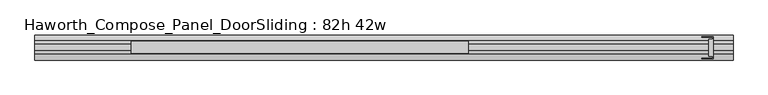
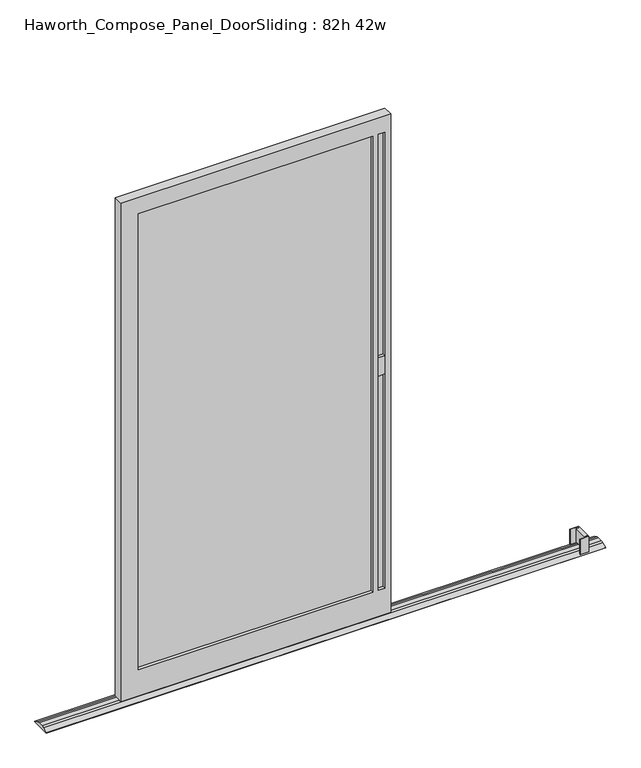
"""IFC4 building model written with IfcOpenShell, lengths in millimetres: furniture geometry, Haworth_Compose_Panel_DoorSliding : 82h 42w."""

import ifcopenshell
import ifcopenshell.guid

model = None  # the IFC model being written
_history = None  # IfcOwnerHistory: only IFC2X3 demands one
_inside = {}  # id of a spatial element -> (the spatial element, [elements in it])
_under = {}  # id of a project, library or spatial element -> (it, [spatial elements below it])
_declared = {}  # id of a project -> (the project, [libraries it declares])
_typed = {}  # id of a type object -> (the type object, [elements of that type])
_made_of = {}  # id of a material, layer set ... -> (it, [elements and type objects made of it])


def new_model(schema):
    """Start an empty IFC model of exactly this schema.

    Asked for "IFC4X3", IfcOpenShell would pick the latest addendum, in which some entities
    have other attributes; the version numbers below select the first issue.
    IFC2X3 requires an IfcOwnerHistory on every rooted entity: one is made here for all.
    """
    global model, _history
    if schema == "IFC4X3":
        model = ifcopenshell.file(schema_version=(4, 3, 0, 0))
    else:
        model = ifcopenshell.file(schema=schema)
    _inside.clear()
    _under.clear()
    _declared.clear()
    _typed.clear()
    _made_of.clear()
    _history = None
    if model.schema == "IFC2X3":
        org = make("IfcOrganization", Name="unknown")
        user = make(
            "IfcPersonAndOrganization",
            ThePerson=make("IfcPerson", FamilyName="unknown"),
            TheOrganization=org,
        )
        app = make(
            "IfcApplication",
            ApplicationDeveloper=org,
            Version="unknown",
            ApplicationFullName="unknown",
            ApplicationIdentifier="unknown",
        )
        _history = make(
            "IfcOwnerHistory",
            OwningUser=user,
            OwningApplication=app,
            ChangeAction="ADDED",
            CreationDate=0,
        )
    return model


def make(cls, **values):
    """One entity of the class cls with the attributes given. An attribute that is None is left unset."""
    return model.create_entity(
        cls, **{name: value for name, value in values.items() if value is not None}
    )


def rooted(cls, **values):
    """An entity with a GlobalId (a new one), such as an element, a storey or a relation."""
    return make(cls, GlobalId=ifcopenshell.guid.new(), OwnerHistory=_history, **values)


def si_unit(unit_type, name, prefix=None):
    """IfcSIUnit, for example si_unit("LENGTHUNIT", "METRE", prefix="MILLI")."""
    return make("IfcSIUnit", UnitType=unit_type, Prefix=prefix, Name=name)


def assignment(units):
    """IfcUnitAssignment: the units of a project."""
    return None if units is None else make("IfcUnitAssignment", Units=units)


def point(xyz):
    """IfcCartesianPoint."""
    return None if xyz is None else make("IfcCartesianPoint", Coordinates=xyz)


def direction(xyz):
    """IfcDirection."""
    return None if xyz is None else make("IfcDirection", DirectionRatios=xyz)


def frame(location, z_axis=None, x_axis=None):
    """IfcAxis2Placement3D, a coordinate frame: its origin and axes. An axis left out is left unset."""
    return make(
        "IfcAxis2Placement3D",
        Location=point(location),
        Axis=direction(z_axis),
        RefDirection=direction(x_axis),
    )


def origin():
    """The frame at (0, 0, 0) with its axes left unset."""
    return frame((0.0, 0.0, 0.0))


def place(relative_to, where):
    """IfcLocalPlacement: puts the frame where relative to a parent placement (None: the world)."""
    return make(
        "IfcLocalPlacement", PlacementRelTo=relative_to, RelativePlacement=where
    )


def context(
    kind, dimensions, precision=None, world=None, true_north=None, identifier=None
):
    """IfcGeometricRepresentationContext, for example the 3D "Model" context."""
    return make(
        "IfcGeometricRepresentationContext",
        ContextIdentifier=identifier,
        ContextType=kind,
        CoordinateSpaceDimension=dimensions,
        Precision=precision,
        WorldCoordinateSystem=world,
        TrueNorth=true_north,
    )


def project(units=None, contexts=None):
    """IfcProject with its units and contexts."""
    return rooted(
        "IfcProject",
        Name="project",
        RepresentationContexts=contexts,
        UnitsInContext=assignment(units),
    )


def spatial(cls, under=None, at=None, **own):
    """A site, building, storey or space (cls), placed at a placement, below another one or the project."""
    s = rooted(cls, ObjectPlacement=at, **own)
    if under is not None:
        _under.setdefault(under.id(), (under, []))[1].append(s)
    return s


def polyline(points):
    """IfcPolyline through the points."""
    return make("IfcPolyline", Points=[point(p) for p in points])


def circle_curve(where, radius):
    """IfcCircle in the frame where."""
    return make("IfcCircle", Position=where, Radius=radius)


def outline(outer, holes=None, kind="AREA"):
    """IfcArbitraryClosedProfileDef: a profile drawn as a closed curve; with holes, ...WithVoids."""
    if holes is None:
        return make("IfcArbitraryClosedProfileDef", ProfileType=kind, OuterCurve=outer)
    return make(
        "IfcArbitraryProfileDefWithVoids",
        ProfileType=kind,
        OuterCurve=outer,
        InnerCurves=holes,
    )


def extrude(swept, where, along, depth):
    """IfcExtrudedAreaSolid: the profile swept, set in the frame where, extruded along a direction by depth."""
    return make(
        "IfcExtrudedAreaSolid",
        SweptArea=swept,
        Position=where,
        ExtrudedDirection=direction(along),
        Depth=depth,
    )


def faces_of(points, faces, orient=None, outer=None):
    """IfcFace entities. A face is a list of loops; a loop is a list of indices into points, from 0.

    orient and outer hold one flag for each loop. By default every Orientation is true, the
    first loop of a face is its IfcFaceOuterBound and the others are IfcFaceBound.
    """
    made = []
    for i, loops in enumerate(faces):
        bounds = []
        for j, loop in enumerate(loops):
            is_outer = j == 0 if outer is None else outer[i][j]
            bounds.append(
                make(
                    "IfcFaceOuterBound" if is_outer else "IfcFaceBound",
                    Bound=make("IfcPolyLoop", Polygon=[points[k] for k in loop]),
                    Orientation=True if orient is None else orient[i][j],
                )
            )
        made.append(make("IfcFace", Bounds=bounds))
    return made


def faceted_brep(points, faces, orient=None, outer=None, voids=None):
    """IfcFacetedBrep: a solid bounded by flat faces; with voids (closed shells), ...WithVoids."""
    shared = [point(p) for p in points]
    hull = make("IfcClosedShell", CfsFaces=faces_of(shared, faces, orient, outer))
    if voids is None:
        return make("IfcFacetedBrep", Outer=hull)
    return make(
        "IfcFacetedBrepWithVoids",
        Outer=hull,
        Voids=[
            make(cls, CfsFaces=faces_of(shared, fs, o, b)) for cls, fs, o, b in voids
        ],
    )


def shape(context_of_items, identifier, shape_type, items):
    """IfcShapeRepresentation: the items that make up one representation, for example the "Body"."""
    return make(
        "IfcShapeRepresentation",
        ContextOfItems=context_of_items,
        RepresentationIdentifier=identifier,
        RepresentationType=shape_type,
        Items=items,
    )


def source(mapping_origin, context_of_items, identifier, shape_type, items):
    """IfcRepresentationMap: a shape defined once, which mapped items show again and again."""
    return make(
        "IfcRepresentationMap",
        MappingOrigin=mapping_origin,
        MappedRepresentation=shape(context_of_items, identifier, shape_type, items),
    )


def transform(
    local_origin,
    x_axis=None,
    y_axis=None,
    z_axis=None,
    scale=None,
    scale2=None,
    scale3=None,
    uniform=True,
):
    """IfcCartesianTransformationOperator3D, or its non-uniform kind. x_axis, y_axis, z_axis: its Axis1, 2, 3."""
    if uniform:
        return make(
            "IfcCartesianTransformationOperator3D",
            Axis1=direction(x_axis),
            Axis2=direction(y_axis),
            LocalOrigin=point(local_origin),
            Scale=scale,
            Axis3=direction(z_axis),
        )
    return make(
        "IfcCartesianTransformationOperator3DnonUniform",
        Axis1=direction(x_axis),
        Axis2=direction(y_axis),
        LocalOrigin=point(local_origin),
        Scale=scale,
        Axis3=direction(z_axis),
        Scale2=scale2,
        Scale3=scale3,
    )


def mapped(mapping_source, mapping_target):
    """IfcMappedItem: shows the shape of a source again, moved by a transform."""
    return make(
        "IfcMappedItem", MappingSource=mapping_source, MappingTarget=mapping_target
    )


def made_of(thing, what):
    """Note that an element or type object is made of a material, layer set ...; save() writes the relation."""
    if what is not None:
        _made_of.setdefault(what.id(), (what, []))[1].append(thing)
    return thing


def element(
    cls,
    number,
    at=None,
    inside=None,
    cuts=None,
    type_object=None,
    material=None,
    context=None,
    identifier="Body",
    shape_type=None,
    held_by="IfcProductDefinitionShape",
    body=None,
    shapes=None,
    **own,
):
    """One element of the class cls, such as IfcWall. Its Tag is "e" and its number.

    at: its placement. inside: the storey or other place that contains it. cuts: it is an
    opening in that element (IfcRelVoidsElement). A single representation is given by context,
    identifier, shape_type and body (its items); several are given by shapes. held_by: the class
    of the entity that holds the representations. save() writes the other relations.
    """
    e = rooted(cls, Tag="e%d" % number, ObjectPlacement=at, **own)
    if body is not None:
        shapes = [shape(context, identifier, shape_type, body)]
    if shapes is not None:
        e.Representation = make(held_by, Representations=shapes)
    if inside is not None:
        _inside.setdefault(inside.id(), (inside, []))[1].append(e)
    if cuts is not None:
        rooted(
            "IfcRelVoidsElement", RelatingBuildingElement=cuts, RelatedOpeningElement=e
        )
    if type_object is not None:
        _typed.setdefault(type_object.id(), (type_object, []))[1].append(e)
    return made_of(e, material)


def aggregate(whole, parts):
    """IfcRelAggregates: a whole, such as a stair, and the parts it consists of."""
    return rooted("IfcRelAggregates", RelatingObject=whole, RelatedObjects=parts)


def save(model, path):
    """Write the relations noted so far, then the file.

    IfcRelAggregates (storeys below a building ...), IfcRelContainedInSpatialStructure (elements
    in a storey), IfcRelDefinesByType, IfcRelAssociatesMaterial and IfcRelDeclares: one each for
    every whole, place, type object, material and project.
    """
    for whole, parts in _under.values():
        aggregate(whole, parts)
    for where, things in _inside.values():
        rooted(
            "IfcRelContainedInSpatialStructure",
            RelatedElements=things,
            RelatingStructure=where,
        )
    for kind, things in _typed.values():
        rooted("IfcRelDefinesByType", RelatedObjects=things, RelatingType=kind)
    for what, things in _made_of.values():
        rooted("IfcRelAssociatesMaterial", RelatedObjects=things, RelatingMaterial=what)
    for by, libraries in _declared.values():
        rooted("IfcRelDeclares", RelatingContext=by, RelatedDefinitions=libraries)
    model.write(path)


def plane_surface(at):
    """IfcPlane: the flat surface through the origin of the frame at, square to its z axis."""
    return make("IfcPlane", Position=at)


def cylinder_surface(at, radius):
    """IfcCylindricalSurface: all points at the distance radius from the z axis of the frame at."""
    return make("IfcCylindricalSurface", Position=at, Radius=radius)


def advanced_brep(points, edges, surfaces, faces):
    """IfcAdvancedBrep: a solid bounded by faces that lie on surfaces and meet in shared edges.

    An edge is (start, end): straight between two places in points (the first is 0);
    or (start, end, curve); or (start, end, curve, False) where it runs against its curve.
    A face is (place in surfaces, loops), or (place, loops, False) where it looks against
    its surface's normal. A loop lists edges by number (the first is 1), with a minus sign
    where the edge is run from its end to its start. The first loop is the outer one.
    """
    corners = [point(p) for p in points]
    vertices = [make("IfcVertexPoint", VertexGeometry=c) for c in corners]
    made = []
    for start, end, *more in edges:
        made.append(
            make(
                "IfcEdgeCurve",
                EdgeStart=vertices[start],
                EdgeEnd=vertices[end],
                EdgeGeometry=more[0] if more else make("IfcPolyline", Points=[corners[start], corners[end]]),
                SameSense=more[1] if len(more) > 1 else True,
            )
        )
    hull = []
    for where, loops, *sense in faces:
        bounds = []
        for j, loop in enumerate(loops):
            ring = [make("IfcOrientedEdge", EdgeElement=made[abs(k) - 1], Orientation=k > 0) for k in loop]
            bounds.append(
                make(
                    "IfcFaceOuterBound" if j == 0 else "IfcFaceBound",
                    Bound=make("IfcEdgeLoop", EdgeList=ring),
                    Orientation=True,
                )
            )
        hull.append(make("IfcAdvancedFace", Bounds=bounds, FaceSurface=surfaces[where], SameSense=sense[0] if sense else True))
    return make("IfcAdvancedBrep", Outer=make("IfcClosedShell", CfsFaces=hull))


def haworth_compose_panel_doorsliding_82h_42w_395aa649(model_context):
    return source(origin(), model_context, "Body", "SolidModel", [
        extrude(outline(polyline([(546.3884771, -10.8677216), (-380.7115229, -10.8677216), (-380.7115229, 1.8322784), (546.3884771, 1.8322784), (546.3884771, -10.8677216)])), frame((0.0, 0.0, 120.65), z_axis=(0.0, 0.0, 1.0), x_axis=(1.0, 0.0, 0.0)), (0.0, 0.0, 1.0), 1905.0),
        faceted_brep([(616.2384771, 14.5322784, 2095.5), (616.2384771, 14.5322784, 12.7), (-450.5615229, 14.5322784, 12.7), (-450.5615229, 14.5322784, 2095.5), (546.3884771, 14.5322784, 2025.65), (-380.7115229, 14.5322784, 2025.65), (-380.7115229, 14.5322784, 120.65), (546.3884771, 14.5322784, 120.65), (594.0134771, 14.5322784, 2025.65), (568.6134771, 14.5322784, 2025.65), (568.6134771, 14.5322784, 120.65), (594.0134771, 14.5322784, 120.65), (-450.5615229, -23.5677216, 2095.5), (616.2384771, -23.5677216, 2095.5), (616.2384771, -23.5677216, 12.7), (-450.5615229, -23.5677216, 12.7), (546.3884771, -23.5677216, 120.65), (546.3884771, -23.5677216, 2025.65), (-380.7115229, -23.5677216, 120.65), (-380.7115229, -23.5677216, 2025.65), (594.0134771, -23.5677216, 2025.65), (594.0134771, -23.5677216, 120.65), (568.6134771, -23.5677216, 120.65), (568.6134771, -23.5677216, 2025.65), (594.0134771, 1.8322784, 120.65), (594.0134771, 1.8322784, 2025.65), (594.0134771, -10.8677216, 2025.65), (594.0134771, -10.8677216, 120.65), (568.6134771, 1.8322784, 120.65), (568.6134771, -10.8677216, 120.65), (568.6134771, 1.8322784, 2025.65), (568.6134771, -10.8677216, 2025.65)], [[[0, 1, 2, 3], [4, 5, 6, 7], [8, 9, 10, 11]], [[12, 13, 0, 3]], [[14, 15, 2, 1]], [[13, 14, 1, 0]], [[16, 17, 4, 7]], [[18, 16, 7, 6]], [[19, 18, 6, 5]], [[17, 19, 5, 4]], [[13, 12, 15, 14], [17, 16, 18, 19], [20, 21, 22, 23]], [[15, 12, 3, 2]], [[8, 11, 24, 25]], [[21, 20, 26, 27]], [[11, 10, 28, 24]], [[22, 21, 27, 29]], [[10, 9, 30, 28]], [[23, 22, 29, 31]], [[9, 8, 25, 30]], [[20, 23, 31, 26]], [[27, 26, 31, 29]], [[25, 24, 28, 30]]]),
        extrude(outline(polyline([(594.0134771, 1.8322784), (568.6134771, 1.8322784), (568.6134771, 14.5322784), (594.0134771, 14.5322784), (594.0134771, 1.8322784)])), frame((0.0, 0.0, 1016.0), z_axis=(0.0, 0.0, 1.0), x_axis=(1.0, 0.0, 0.0)), (0.0, 0.0, 1.0), 76.2),
        extrude(outline(polyline([(568.6134771, -10.8677216), (594.0134771, -10.8677216), (594.0134771, -23.5677216), (568.6134771, -23.5677216), (568.6134771, -10.8677216)])), frame((0.0, 0.0, 1016.0), z_axis=(0.0, 0.0, 1.0), x_axis=(1.0, 0.0, 0.0)), (0.0, 0.0, 1.0), 76.2),
        extrude(outline(polyline([(1390.9384771, 30.4072784), (1390.9384771, -39.4427216), (1356.0134771, -39.4427216), (1356.0134771, -37.8552216), (1389.3509771, -37.8552216), (1389.3509771, -31.5052216), (1376.6509771, -31.5052216), (1376.6509771, 22.4697784), (1389.3509771, 22.4697784), (1389.3509771, 28.8197784), (1356.0134771, 28.8197784), (1356.0134771, 30.4072784), (1390.9384771, 30.4072784)])), frame((0.0, 0.0, 1.5875), z_axis=(0.0, 0.0, 1.0), x_axis=(1.0, 0.0, 0.0)), (0.0, 0.0, 1.0), 65.7225),
        advanced_brep(
        [(-755.3615229, 35.1431511, 0.0), (-755.3615229, -44.1785944, 0.0), (-755.3615229, -44.1785944, 1.5875), (-755.3615229, -25.8161303, 10.1662427), (-755.3615229, -14.4066305, 12.7), (-755.3615229, 5.3711872, 12.7), (-755.3615229, 16.7630089, 10.1744939), (-755.3615229, 35.1431511, 1.6084654), (1454.4384771, 35.1431511, 0.0), (1454.4384771, 35.1431511, 1.6084654), (1454.4384771, 16.7648369, 10.178414), (1454.4384771, 5.3711872, 12.7), (1454.4384771, -14.4066305, 12.7), (1454.4384771, -25.8161303, 10.1662427), (1454.4384771, -44.1785944, 1.5875), (1454.4384771, -44.1785944, 0.0)],
        [
            (0, 1),
            (1, 2),
            (2, 3),
            (3, 4, circle_curve(frame((-755.3615229, -14.4066305, -14.2553465), z_axis=(-1.0, 0.0, 0.0), x_axis=(0.0, 0.0, 1.0)), 26.9553465)),
            (4, 5),
            (5, 6, circle_curve(frame((-755.3615229, 5.3711872, -14.2553465), z_axis=(-1.0, 0.0, 0.0), x_axis=(0.0, 0.0, 1.0)), 26.9553465)),
            (6, 7),
            (7, 0),
            (8, 9),
            (9, 10),
            (10, 11, circle_curve(frame((1454.4384771, 5.3711872, -14.2553465), z_axis=(1.0, 0.0, 0.0), x_axis=(0.0, 0.0, 1.0)), 26.9553465)),
            (11, 12),
            (12, 13, circle_curve(frame((1454.4384771, -14.4066305, -14.2553465), z_axis=(1.0, 0.0, 0.0), x_axis=(0.0, 0.0, 1.0)), 26.9553465)),
            (13, 14),
            (14, 15),
            (15, 8),
            (0, 8),
            (15, 1),
            (14, 2),
            (7, 9),
            (13, 3),
            (12, 4),
            (11, 5),
            (10, 6),
        ],
        [
            plane_surface(frame((-755.3615229, -4.5177216, 0.0), z_axis=(-1.0, 0.0, 0.0), x_axis=(0.0, -1.0, 0.0))),
            plane_surface(frame((1454.4384771, -4.5177216, 0.0), z_axis=(1.0, 0.0, 0.0), x_axis=(0.0, -1.0, 0.0))),
            plane_surface(frame((-755.3615229, 35.1431511, 0.0), z_axis=(0.0, 0.0, -1.0), x_axis=(1.0, 0.0, 0.0))),
            plane_surface(frame((-755.3615229, -44.1785944, 0.0), z_axis=(0.0, -1.0, 0.0), x_axis=(1.0, 0.0, 0.0))),
            plane_surface(frame((-755.3615229, 35.1431511, 1.6084654), z_axis=(0.0, 1.0, 0.0), x_axis=(1.0, 0.0, 0.0))),
            plane_surface(frame((-755.3615229, -44.1785944, 1.5875), z_axis=(0.0, -0.4232740908698282, 0.9060016799092155), x_axis=(1.0, 0.0, 0.0))),
            cylinder_surface(frame((-755.3615229, -14.4066305, -14.2553465), z_axis=(-1.0, 0.0, 0.0), x_axis=(0.0, 0.0, 1.0)), 26.9553465),
            plane_surface(frame((-755.3615229, -14.4066305, 12.7), z_axis=(0.0, 0.0, 1.0), x_axis=(1.0, 0.0, 0.0))),
            cylinder_surface(frame((-755.3615229, 5.3711872, -14.2553465), z_axis=(-1.0, 0.0, 0.0), x_axis=(0.0, 0.0, 1.0)), 26.9553465),
            plane_surface(frame((-755.3615229, 16.7648369, 10.178414), z_axis=(0.0, 0.42261826174076217, 0.9063077870366208), x_axis=(1.0, 0.0, 0.0))),
        ],
        [
            (0, [[1, 2, 3, 4, 5, 6, 7, 8]]),
            (1, [[9, 10, 11, 12, 13, 14, 15, 16]]),
            (2, [[-1, 17, -16, 18]]),
            (3, [[-2, -18, -15, 19]]),
            (4, [[-8, 20, -9, -17]]),
            (5, [[-3, -19, -14, 21]]),
            (6, [[-4, -21, -13, 22]]),
            (7, [[-5, -22, -12, 23]]),
            (8, [[-6, -23, -11, 24]]),
            (9, [[-7, -24, -10, -20]]),
        ],
    ),
    ])


if __name__ == "__main__":
    model = new_model("IFC4")
    model_context = context("Model", 3, world=origin())
    ifc_project = project(units=[si_unit("LENGTHUNIT", "METRE", prefix="MILLI")], contexts=[model_context])
    site = spatial("IfcSite", under=ifc_project)
    building = spatial("IfcBuilding", under=site)
    placement = place(None, origin())
    haworth_compose_panel_doorsliding_82h_42w_shape = haworth_compose_panel_doorsliding_82h_42w_395aa649(model_context)
    element("IfcFurniture", 1, ObjectType="Haworth_Compose_Panel_DoorSliding : 82h 42w", at=placement, inside=building, context=model_context, shape_type="MappedRepresentation", body=[
        mapped(haworth_compose_panel_doorsliding_82h_42w_shape, transform((0.0, 0.0, 0.0), x_axis=(1.0, 0.0, 0.0), y_axis=(0.0, 1.0, 0.0), z_axis=(0.0, 0.0, 1.0))),
    ])
    save(model, "model.ifc")
